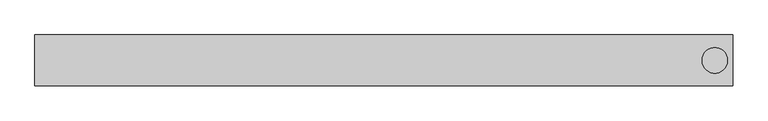
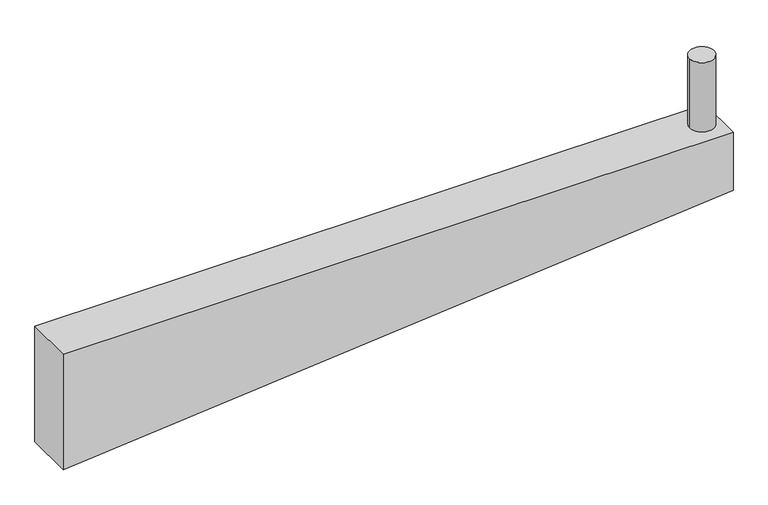
"""IFC4 building model written with IfcOpenShell, lengths in millimetres: beam geometry."""

from ifc_helpers import new_model, si_unit, point, frame, frame_2d, origin, origin_with_axes, place, context, project, spatial, polyline, circle_curve, trimmed, segment, composite_curve, outline, extrude, source, transform, mapped, element, save


def beam_cbc9c676(model_context):
    return source(origin(), model_context, "Body", "SweptSolid", [
        extrude(outline(composite_curve([segment(trimmed(circle_curve(frame_2d((1300.0, 0.0)), 50.0), [point((1250.0, 0.0))], [point((1350.0, 0.0))], False, "CARTESIAN"), True, "CONTINUOUS"), segment(trimmed(circle_curve(frame_2d((1300.0, 0.0)), 50.0), [point((1350.0, 0.0))], [point((1250.0, 0.0))], False, "CARTESIAN"), True, "CONTINUOUS")], self_intersect=False)), origin_with_axes(), (0.0, 0.0, 1.0), 300.0),
        extrude(outline(polyline([(-250.0, 1370.0), (0.0, 1370.0), (0.0, -1370.0), (-500.0, -1370.0), (-250.0, 1370.0)])), frame((0.0, -100.0, 0.0), z_axis=(0.0, 1.0, 0.0), x_axis=(0.0, 0.0, 1.0)), (0.0, 0.0, 1.0), 200.0),
    ])


if __name__ == "__main__":
    model = new_model("IFC4")
    model_context = context("Model", 3, world=origin())
    ifc_project = project(units=[si_unit("LENGTHUNIT", "METRE", prefix="MILLI")], contexts=[model_context])
    site = spatial("IfcSite", under=ifc_project)
    building = spatial("IfcBuilding", under=site)
    placement = place(None, origin())
    beam_shape = beam_cbc9c676(model_context)
    element("IfcBeam", 1, at=placement, inside=building, context=model_context, shape_type="MappedRepresentation", body=[
        mapped(beam_shape, transform((0.0, 0.0, 0.0), x_axis=(1.0, 0.0, 0.0), y_axis=(0.0, 1.0, 0.0), z_axis=(0.0, 0.0, 1.0))),
    ])
    save(model, "model.ifc")
